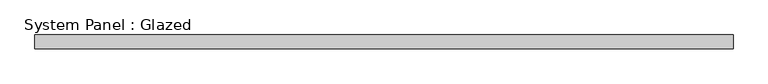
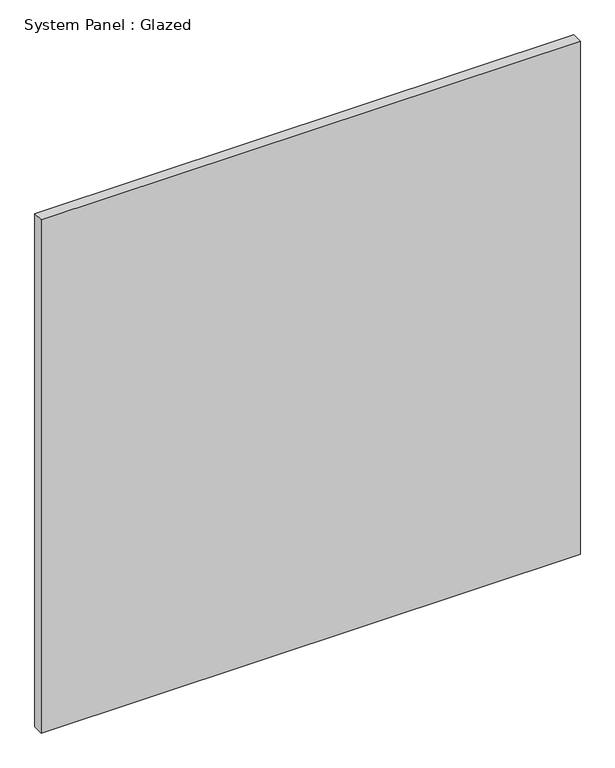
"""IFC4 building model written with IfcOpenShell, lengths in millimetres: plate geometry, System Panel : Glazed."""

import ifcopenshell
import ifcopenshell.guid

model = None  # the IFC model being written
_history = None  # IfcOwnerHistory: only IFC2X3 demands one
_inside = {}  # id of a spatial element -> (the spatial element, [elements in it])
_under = {}  # id of a project, library or spatial element -> (it, [spatial elements below it])
_declared = {}  # id of a project -> (the project, [libraries it declares])
_typed = {}  # id of a type object -> (the type object, [elements of that type])
_made_of = {}  # id of a material, layer set ... -> (it, [elements and type objects made of it])


def new_model(schema):
    """Start an empty IFC model of exactly this schema.

    Asked for "IFC4X3", IfcOpenShell would pick the latest addendum, in which some entities
    have other attributes; the version numbers below select the first issue.
    IFC2X3 requires an IfcOwnerHistory on every rooted entity: one is made here for all.
    """
    global model, _history
    if schema == "IFC4X3":
        model = ifcopenshell.file(schema_version=(4, 3, 0, 0))
    else:
        model = ifcopenshell.file(schema=schema)
    _inside.clear()
    _under.clear()
    _declared.clear()
    _typed.clear()
    _made_of.clear()
    _history = None
    if model.schema == "IFC2X3":
        org = make("IfcOrganization", Name="unknown")
        user = make(
            "IfcPersonAndOrganization",
            ThePerson=make("IfcPerson", FamilyName="unknown"),
            TheOrganization=org,
        )
        app = make(
            "IfcApplication",
            ApplicationDeveloper=org,
            Version="unknown",
            ApplicationFullName="unknown",
            ApplicationIdentifier="unknown",
        )
        _history = make(
            "IfcOwnerHistory",
            OwningUser=user,
            OwningApplication=app,
            ChangeAction="ADDED",
            CreationDate=0,
        )
    return model


def make(cls, **values):
    """One entity of the class cls with the attributes given. An attribute that is None is left unset."""
    return model.create_entity(
        cls, **{name: value for name, value in values.items() if value is not None}
    )


def rooted(cls, **values):
    """An entity with a GlobalId (a new one), such as an element, a storey or a relation."""
    return make(cls, GlobalId=ifcopenshell.guid.new(), OwnerHistory=_history, **values)


def si_unit(unit_type, name, prefix=None):
    """IfcSIUnit, for example si_unit("LENGTHUNIT", "METRE", prefix="MILLI")."""
    return make("IfcSIUnit", UnitType=unit_type, Prefix=prefix, Name=name)


def assignment(units):
    """IfcUnitAssignment: the units of a project."""
    return None if units is None else make("IfcUnitAssignment", Units=units)


def point(xyz):
    """IfcCartesianPoint."""
    return None if xyz is None else make("IfcCartesianPoint", Coordinates=xyz)


def direction(xyz):
    """IfcDirection."""
    return None if xyz is None else make("IfcDirection", DirectionRatios=xyz)


def frame(location, z_axis=None, x_axis=None):
    """IfcAxis2Placement3D, a coordinate frame: its origin and axes. An axis left out is left unset."""
    return make(
        "IfcAxis2Placement3D",
        Location=point(location),
        Axis=direction(z_axis),
        RefDirection=direction(x_axis),
    )


def origin():
    """The frame at (0, 0, 0) with its axes left unset."""
    return frame((0.0, 0.0, 0.0))


def origin_with_axes():
    """The frame at (0, 0, 0) with the z axis (0, 0, 1) and the x axis (1, 0, 0) written out."""
    return frame((0.0, 0.0, 0.0), z_axis=(0.0, 0.0, 1.0), x_axis=(1.0, 0.0, 0.0))


def place(relative_to, where):
    """IfcLocalPlacement: puts the frame where relative to a parent placement (None: the world)."""
    return make(
        "IfcLocalPlacement", PlacementRelTo=relative_to, RelativePlacement=where
    )


def context(
    kind, dimensions, precision=None, world=None, true_north=None, identifier=None
):
    """IfcGeometricRepresentationContext, for example the 3D "Model" context."""
    return make(
        "IfcGeometricRepresentationContext",
        ContextIdentifier=identifier,
        ContextType=kind,
        CoordinateSpaceDimension=dimensions,
        Precision=precision,
        WorldCoordinateSystem=world,
        TrueNorth=true_north,
    )


def project(units=None, contexts=None):
    """IfcProject with its units and contexts."""
    return rooted(
        "IfcProject",
        Name="project",
        RepresentationContexts=contexts,
        UnitsInContext=assignment(units),
    )


def spatial(cls, under=None, at=None, **own):
    """A site, building, storey or space (cls), placed at a placement, below another one or the project."""
    s = rooted(cls, ObjectPlacement=at, **own)
    if under is not None:
        _under.setdefault(under.id(), (under, []))[1].append(s)
    return s


def polyline(points):
    """IfcPolyline through the points."""
    return make("IfcPolyline", Points=[point(p) for p in points])


def outline(outer, holes=None, kind="AREA"):
    """IfcArbitraryClosedProfileDef: a profile drawn as a closed curve; with holes, ...WithVoids."""
    if holes is None:
        return make("IfcArbitraryClosedProfileDef", ProfileType=kind, OuterCurve=outer)
    return make(
        "IfcArbitraryProfileDefWithVoids",
        ProfileType=kind,
        OuterCurve=outer,
        InnerCurves=holes,
    )


def extrude(swept, where, along, depth):
    """IfcExtrudedAreaSolid: the profile swept, set in the frame where, extruded along a direction by depth."""
    return make(
        "IfcExtrudedAreaSolid",
        SweptArea=swept,
        Position=where,
        ExtrudedDirection=direction(along),
        Depth=depth,
    )


def shape(context_of_items, identifier, shape_type, items):
    """IfcShapeRepresentation: the items that make up one representation, for example the "Body"."""
    return make(
        "IfcShapeRepresentation",
        ContextOfItems=context_of_items,
        RepresentationIdentifier=identifier,
        RepresentationType=shape_type,
        Items=items,
    )


def source(mapping_origin, context_of_items, identifier, shape_type, items):
    """IfcRepresentationMap: a shape defined once, which mapped items show again and again."""
    return make(
        "IfcRepresentationMap",
        MappingOrigin=mapping_origin,
        MappedRepresentation=shape(context_of_items, identifier, shape_type, items),
    )


def transform(
    local_origin,
    x_axis=None,
    y_axis=None,
    z_axis=None,
    scale=None,
    scale2=None,
    scale3=None,
    uniform=True,
):
    """IfcCartesianTransformationOperator3D, or its non-uniform kind. x_axis, y_axis, z_axis: its Axis1, 2, 3."""
    if uniform:
        return make(
            "IfcCartesianTransformationOperator3D",
            Axis1=direction(x_axis),
            Axis2=direction(y_axis),
            LocalOrigin=point(local_origin),
            Scale=scale,
            Axis3=direction(z_axis),
        )
    return make(
        "IfcCartesianTransformationOperator3DnonUniform",
        Axis1=direction(x_axis),
        Axis2=direction(y_axis),
        LocalOrigin=point(local_origin),
        Scale=scale,
        Axis3=direction(z_axis),
        Scale2=scale2,
        Scale3=scale3,
    )


def mapped(mapping_source, mapping_target):
    """IfcMappedItem: shows the shape of a source again, moved by a transform."""
    return make(
        "IfcMappedItem", MappingSource=mapping_source, MappingTarget=mapping_target
    )


def made_of(thing, what):
    """Note that an element or type object is made of a material, layer set ...; save() writes the relation."""
    if what is not None:
        _made_of.setdefault(what.id(), (what, []))[1].append(thing)
    return thing


def element(
    cls,
    number,
    at=None,
    inside=None,
    cuts=None,
    type_object=None,
    material=None,
    context=None,
    identifier="Body",
    shape_type=None,
    held_by="IfcProductDefinitionShape",
    body=None,
    shapes=None,
    **own,
):
    """One element of the class cls, such as IfcWall. Its Tag is "e" and its number.

    at: its placement. inside: the storey or other place that contains it. cuts: it is an
    opening in that element (IfcRelVoidsElement). A single representation is given by context,
    identifier, shape_type and body (its items); several are given by shapes. held_by: the class
    of the entity that holds the representations. save() writes the other relations.
    """
    e = rooted(cls, Tag="e%d" % number, ObjectPlacement=at, **own)
    if body is not None:
        shapes = [shape(context, identifier, shape_type, body)]
    if shapes is not None:
        e.Representation = make(held_by, Representations=shapes)
    if inside is not None:
        _inside.setdefault(inside.id(), (inside, []))[1].append(e)
    if cuts is not None:
        rooted(
            "IfcRelVoidsElement", RelatingBuildingElement=cuts, RelatedOpeningElement=e
        )
    if type_object is not None:
        _typed.setdefault(type_object.id(), (type_object, []))[1].append(e)
    return made_of(e, material)


def aggregate(whole, parts):
    """IfcRelAggregates: a whole, such as a stair, and the parts it consists of."""
    return rooted("IfcRelAggregates", RelatingObject=whole, RelatedObjects=parts)


def save(model, path):
    """Write the relations noted so far, then the file.

    IfcRelAggregates (storeys below a building ...), IfcRelContainedInSpatialStructure (elements
    in a storey), IfcRelDefinesByType, IfcRelAssociatesMaterial and IfcRelDeclares: one each for
    every whole, place, type object, material and project.
    """
    for whole, parts in _under.values():
        aggregate(whole, parts)
    for where, things in _inside.values():
        rooted(
            "IfcRelContainedInSpatialStructure",
            RelatedElements=things,
            RelatingStructure=where,
        )
    for kind, things in _typed.values():
        rooted("IfcRelDefinesByType", RelatedObjects=things, RelatingType=kind)
    for what, things in _made_of.values():
        rooted("IfcRelAssociatesMaterial", RelatedObjects=things, RelatingMaterial=what)
    for by, libraries in _declared.values():
        rooted("IfcRelDeclares", RelatingContext=by, RelatedDefinitions=libraries)
    model.write(path)


def system_panel_glazed_49ac2f7c(model_context):
    return source(origin(), model_context, "Body", "SweptSolid", [
        extrude(outline(polyline([(635.0, 24.5), (-635.0, 24.5), (-635.0, 49.5), (635.0, 49.5), (635.0, 24.5)])), origin_with_axes(), (0.0, 0.0, 1.0), 1277.830469),
    ])


if __name__ == "__main__":
    model = new_model("IFC4")
    model_context = context("Model", 3, world=origin())
    ifc_project = project(units=[si_unit("LENGTHUNIT", "METRE", prefix="MILLI")], contexts=[model_context])
    site = spatial("IfcSite", under=ifc_project)
    building = spatial("IfcBuilding", under=site)
    placement = place(None, origin())
    system_panel_glazed_shape = system_panel_glazed_49ac2f7c(model_context)
    element("IfcPlate", 1, ObjectType="System Panel : Glazed", at=placement, inside=building, context=model_context, shape_type="MappedRepresentation", body=[
        mapped(system_panel_glazed_shape, transform((0.0, 0.0, 0.0), x_axis=(1.0, 0.0, 0.0), y_axis=(0.0, 1.0, 0.0), z_axis=(0.0, 0.0, 1.0))),
    ])
    save(model, "model.ifc")
